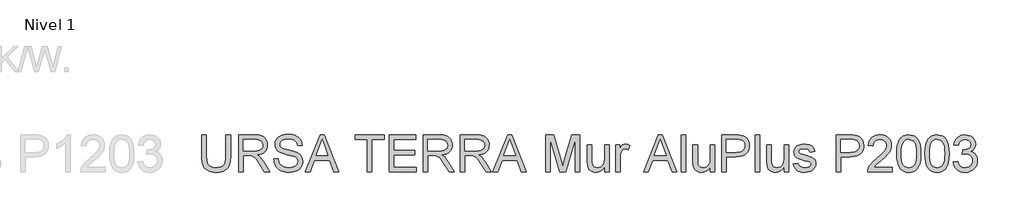
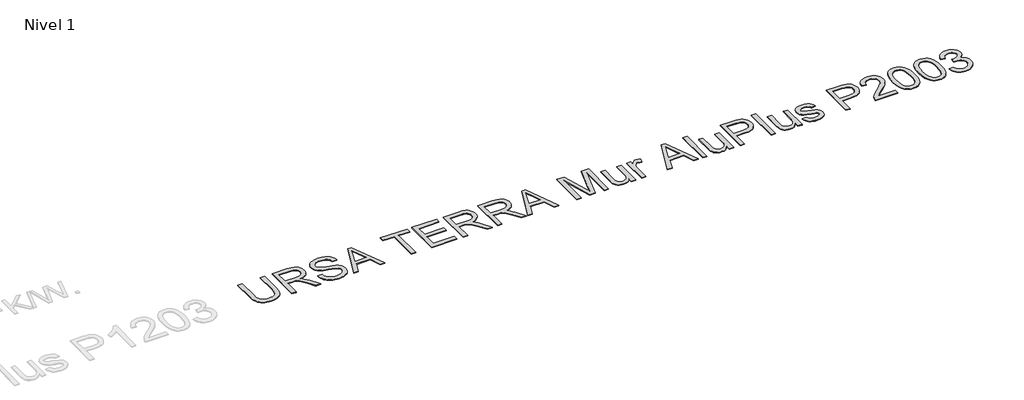
# One storey, part 11 of 15: 1 proxy.
"""IFC4 building model written with IfcOpenShell, lengths in millimetres."""

import ifcopenshell
import ifcopenshell.guid

model = None  # the IFC model being written
_history = None  # IfcOwnerHistory: only IFC2X3 demands one
_inside = {}  # id of a spatial element -> (the spatial element, [elements in it])
_under = {}  # id of a project, library or spatial element -> (it, [spatial elements below it])
_declared = {}  # id of a project -> (the project, [libraries it declares])
_typed = {}  # id of a type object -> (the type object, [elements of that type])
_made_of = {}  # id of a material, layer set ... -> (it, [elements and type objects made of it])


def new_model(schema):
    """Start an empty IFC model of exactly this schema.

    Asked for "IFC4X3", IfcOpenShell would pick the latest addendum, in which some entities
    have other attributes; the version numbers below select the first issue.
    IFC2X3 requires an IfcOwnerHistory on every rooted entity: one is made here for all.
    """
    global model, _history
    if schema == "IFC4X3":
        model = ifcopenshell.file(schema_version=(4, 3, 0, 0))
    else:
        model = ifcopenshell.file(schema=schema)
    _inside.clear()
    _under.clear()
    _declared.clear()
    _typed.clear()
    _made_of.clear()
    _history = None
    if model.schema == "IFC2X3":
        org = make("IfcOrganization", Name="unknown")
        user = make(
            "IfcPersonAndOrganization",
            ThePerson=make("IfcPerson", FamilyName="unknown"),
            TheOrganization=org,
        )
        app = make(
            "IfcApplication",
            ApplicationDeveloper=org,
            Version="unknown",
            ApplicationFullName="unknown",
            ApplicationIdentifier="unknown",
        )
        _history = make(
            "IfcOwnerHistory",
            OwningUser=user,
            OwningApplication=app,
            ChangeAction="ADDED",
            CreationDate=0,
        )
    return model


def make(cls, **values):
    """One entity of the class cls with the attributes given. An attribute that is None is left unset."""
    return model.create_entity(
        cls, **{name: value for name, value in values.items() if value is not None}
    )


def rooted(cls, **values):
    """An entity with a GlobalId (a new one), such as an element, a storey or a relation."""
    return make(cls, GlobalId=ifcopenshell.guid.new(), OwnerHistory=_history, **values)


def si_unit(unit_type, name, prefix=None):
    """IfcSIUnit, for example si_unit("LENGTHUNIT", "METRE", prefix="MILLI")."""
    return make("IfcSIUnit", UnitType=unit_type, Prefix=prefix, Name=name)


def assignment(units):
    """IfcUnitAssignment: the units of a project."""
    return None if units is None else make("IfcUnitAssignment", Units=units)


def point(xyz):
    """IfcCartesianPoint."""
    return None if xyz is None else make("IfcCartesianPoint", Coordinates=xyz)


def direction(xyz):
    """IfcDirection."""
    return None if xyz is None else make("IfcDirection", DirectionRatios=xyz)


def frame(location, z_axis=None, x_axis=None):
    """IfcAxis2Placement3D, a coordinate frame: its origin and axes. An axis left out is left unset."""
    return make(
        "IfcAxis2Placement3D",
        Location=point(location),
        Axis=direction(z_axis),
        RefDirection=direction(x_axis),
    )


def origin():
    """The frame at (0, 0, 0) with its axes left unset."""
    return frame((0.0, 0.0, 0.0))


def origin_with_axes():
    """The frame at (0, 0, 0) with the z axis (0, 0, 1) and the x axis (1, 0, 0) written out."""
    return frame((0.0, 0.0, 0.0), z_axis=(0.0, 0.0, 1.0), x_axis=(1.0, 0.0, 0.0))


def place(relative_to, where):
    """IfcLocalPlacement: puts the frame where relative to a parent placement (None: the world)."""
    return make(
        "IfcLocalPlacement", PlacementRelTo=relative_to, RelativePlacement=where
    )


def context(
    kind, dimensions, precision=None, world=None, true_north=None, identifier=None
):
    """IfcGeometricRepresentationContext, for example the 3D "Model" context."""
    return make(
        "IfcGeometricRepresentationContext",
        ContextIdentifier=identifier,
        ContextType=kind,
        CoordinateSpaceDimension=dimensions,
        Precision=precision,
        WorldCoordinateSystem=world,
        TrueNorth=true_north,
    )


def project(units=None, contexts=None):
    """IfcProject with its units and contexts."""
    return rooted(
        "IfcProject",
        Name="project",
        RepresentationContexts=contexts,
        UnitsInContext=assignment(units),
    )


def spatial(cls, under=None, at=None, **own):
    """A site, building, storey or space (cls), placed at a placement, below another one or the project."""
    s = rooted(cls, ObjectPlacement=at, **own)
    if under is not None:
        _under.setdefault(under.id(), (under, []))[1].append(s)
    return s


def polyline(points):
    """IfcPolyline through the points."""
    return make("IfcPolyline", Points=[point(p) for p in points])


def outline(outer, holes=None, kind="AREA"):
    """IfcArbitraryClosedProfileDef: a profile drawn as a closed curve; with holes, ...WithVoids."""
    if holes is None:
        return make("IfcArbitraryClosedProfileDef", ProfileType=kind, OuterCurve=outer)
    return make(
        "IfcArbitraryProfileDefWithVoids",
        ProfileType=kind,
        OuterCurve=outer,
        InnerCurves=holes,
    )


def extrude(swept, where, along, depth):
    """IfcExtrudedAreaSolid: the profile swept, set in the frame where, extruded along a direction by depth."""
    return make(
        "IfcExtrudedAreaSolid",
        SweptArea=swept,
        Position=where,
        ExtrudedDirection=direction(along),
        Depth=depth,
    )


def shape(context_of_items, identifier, shape_type, items):
    """IfcShapeRepresentation: the items that make up one representation, for example the "Body"."""
    return make(
        "IfcShapeRepresentation",
        ContextOfItems=context_of_items,
        RepresentationIdentifier=identifier,
        RepresentationType=shape_type,
        Items=items,
    )


def made_of(thing, what):
    """Note that an element or type object is made of a material, layer set ...; save() writes the relation."""
    if what is not None:
        _made_of.setdefault(what.id(), (what, []))[1].append(thing)
    return thing


def element(
    cls,
    number,
    at=None,
    inside=None,
    cuts=None,
    type_object=None,
    material=None,
    context=None,
    identifier="Body",
    shape_type=None,
    held_by="IfcProductDefinitionShape",
    body=None,
    shapes=None,
    **own,
):
    """One element of the class cls, such as IfcWall. Its Tag is "e" and its number.

    at: its placement. inside: the storey or other place that contains it. cuts: it is an
    opening in that element (IfcRelVoidsElement). A single representation is given by context,
    identifier, shape_type and body (its items); several are given by shapes. held_by: the class
    of the entity that holds the representations. save() writes the other relations.
    """
    e = rooted(cls, Tag="e%d" % number, ObjectPlacement=at, **own)
    if body is not None:
        shapes = [shape(context, identifier, shape_type, body)]
    if shapes is not None:
        e.Representation = make(held_by, Representations=shapes)
    if inside is not None:
        _inside.setdefault(inside.id(), (inside, []))[1].append(e)
    if cuts is not None:
        rooted(
            "IfcRelVoidsElement", RelatingBuildingElement=cuts, RelatedOpeningElement=e
        )
    if type_object is not None:
        _typed.setdefault(type_object.id(), (type_object, []))[1].append(e)
    return made_of(e, material)


def aggregate(whole, parts):
    """IfcRelAggregates: a whole, such as a stair, and the parts it consists of."""
    return rooted("IfcRelAggregates", RelatingObject=whole, RelatedObjects=parts)


def save(model, path):
    """Write the relations noted so far, then the file.

    IfcRelAggregates (storeys below a building ...), IfcRelContainedInSpatialStructure (elements
    in a storey), IfcRelDefinesByType, IfcRelAssociatesMaterial and IfcRelDeclares: one each for
    every whole, place, type object, material and project.
    """
    for whole, parts in _under.values():
        aggregate(whole, parts)
    for where, things in _inside.values():
        rooted(
            "IfcRelContainedInSpatialStructure",
            RelatedElements=things,
            RelatingStructure=where,
        )
    for kind, things in _typed.values():
        rooted("IfcRelDefinesByType", RelatedObjects=things, RelatingType=kind)
    for what, things in _made_of.values():
        rooted("IfcRelAssociatesMaterial", RelatedObjects=things, RelatingMaterial=what)
    for by, libraries in _declared.values():
        rooted("IfcRelDeclares", RelatingContext=by, RelatedDefinitions=libraries)
    model.write(path)


model = new_model("IFC4")

# Units and contexts
model_context = context("Model", 3, world=origin())
ifc_project = project(units=[si_unit("LENGTHUNIT", "METRE", prefix="MILLI")], contexts=[model_context])

# Site, building, storey
site = spatial("IfcSite", under=ifc_project)
building = spatial("IfcBuilding", under=site)
storey = spatial("IfcBuildingStorey", under=building, Name="Nivel 1", Elevation=0.0)

# Proxy
placement = place(None, origin())
element("IfcBuildingElementProxy", 1, Name="Texto de modelo 3", ObjectType="Texto de modelo 3", at=placement, inside=storey, context=model_context, shape_type="SweptSolid", body=[
    extrude(outline(polyline([(-2575.6263128, -13823.3522814), (-2500.2840802, -13823.3522814), (-2500.2840802, -14171.0743432), (-2505.39764, -14252.5050228), (-2511.7895896, -14286.1984151), (-2520.7383192, -14315.2105089), (-2533.0163807, -14340.6403518), (-2549.3963266, -14363.5869913), (-2569.8781567, -14384.0504273), (-2594.461871, -14402.0306598), (-2623.1750607, -14416.6769617), (-2656.045317, -14427.1386059), (-2693.0726398, -14433.4155925), (-2734.2570292, -14435.5079213), (-2774.4251445, -14433.6869055), (-2810.75809, -14428.2238578), (-2843.2558658, -14419.1187784), (-2871.9184717, -14406.3716673), (-2896.7505064, -14390.1710639), (-2917.7565683, -14370.7055079), (-2934.9366575, -14347.9749991), (-2948.2907739, -14321.9795376), (-2958.3017627, -14291.8270096), (-2965.452469, -14256.6253012), (-2969.7428928, -14216.3744124), (-2971.173034, -14171.0743432), (-2971.173034, -13823.3522814), (-2895.8308014, -13823.3522814), (-2895.8308014, -14168.4255928), (-2892.1151933, -14236.134274), (-2880.9683688, -14283.2783517), (-2872.2035803, -14300.6561775), (-2860.7716473, -14315.9278788), (-2846.6725698, -14329.0934557), (-2829.9063479, -14340.1529082), (-2789.6600576, -14355.1624936), (-2741.3203635, -14360.1656887), (-2699.7956833, -14357.6916823), (-2664.6905439, -14350.269663), (-2636.0049453, -14337.899631), (-2613.7388875, -14320.581586), (-2597.0646361, -14296.227798), (-2585.1544565, -14262.7505364), (-2578.0083487, -14220.1498014), (-2575.6263128, -14168.4255928), (-2575.6263128, -13823.3522814)])), origin_with_axes(), (0.0, 0.0, 1.0), 10.0),
    extrude(outline(polyline([(-2368.4351731, -14426.0901423), (-2368.4351731, -13823.3522814), (-2108.7104846, -13823.3522814), (-2038.904876, -13827.4173774), (-1988.1187665, -13839.6126655), (-1968.5198532, -13849.3063561), (-1950.9994732, -13862.1270436), (-1935.5576265, -13878.0747281), (-1922.194313, -13897.1494096), (-1911.410772, -13918.3256169), (-1903.7082427, -13940.5778791), (-1899.0867252, -13963.9061961), (-1897.5462193, -13988.310568), (-1900.0984007, -14019.2678379), (-1907.7549447, -14047.686722), (-1920.5158514, -14073.5672204), (-1938.3811208, -14096.909333), (-1961.5806791, -14116.9680988), (-1990.3444526, -14132.9985567), (-2024.6724413, -14145.0007068), (-2064.5646451, -14152.974549), (-2039.7326105, -14169.198145), (-2021.7431809, -14185.2010118), (-1990.8778815, -14221.8052703), (-1960.6747697, -14262.7505364), (-1860.1694086, -14426.0901423), (-1947.7253235, -14426.0901423), (-2026.1577648, -14301.1574167), (-2082.8115921, -14218.4575442), (-2103.8728363, -14194.3428794), (-2122.616424, -14179.3884763), (-2158.4481303, -14165.0410785), (-2202.1525113, -14162.3923281), (-2293.0929405, -14162.3923281), (-2293.0929405, -14426.0901423), (-2368.4351731, -14426.0901423)]), holes=[polyline([(-2293.0929405, -14087.0500955), (-2124.4558339, -14087.0500955), (-2076.0241693, -14084.382951), (-2038.4450235, -14076.3815176), (-2010.154898, -14062.5123664), (-1989.5902945, -14042.2420685), (-1977.0639126, -14017.7227335), (-1972.8884519, -13991.1064712), (-1974.8796132, -13971.8386517), (-1980.8530971, -13954.3550598), (-1990.8089036, -13938.6556957), (-2004.7470327, -13924.7405592), (-2022.9893812, -13913.3454144), (-2045.8578457, -13905.2060253), (-2073.3524263, -13900.3223918), (-2105.473123, -13898.694514), (-2293.0929405, -13898.694514), (-2293.0929405, -14087.0500955)])]), origin_with_axes(), (0.0, 0.0, 1.0), 10.0),
    extrude(outline(polyline([(-1793.9506495, -14218.8990026), (-1718.6084169, -14218.8990026), (-1709.96319, -14260.7087913), (-1694.3282052, -14294.3148116), (-1669.9376289, -14320.9862562), (-1635.0256276, -14341.9923182), (-1592.3513161, -14355.6223461), (-1544.6738095, -14360.1656887), (-1502.6984739, -14356.7259921), (-1465.9470626, -14346.4069021), (-1436.1670151, -14330.0729415), (-1415.1057708, -14308.588633), (-1402.5793889, -14283.9221452), (-1398.4039283, -14258.0416469), (-1401.5309252, -14232.8233361), (-1410.9119161, -14211.0263279), (-1429.9682035, -14192.429893), (-1462.1210898, -14176.8133023), (-1571.8235008, -14148.0449303), (-1643.8364013, -14129.007037), (-1689.9136212, -14110.8888488), (-1727.4191907, -14085.5417793), (-1753.9986648, -14054.8236327), (-1769.8359847, -14019.3965966), (-1775.1150913, -13979.9228585), (-1773.482615, -13957.4866553), (-1768.5851859, -13935.7954132), (-1760.4228041, -13914.8491321), (-1748.9954697, -13894.647812), (-1734.4319412, -13876.014589), (-1716.8609774, -13859.7725989), (-1696.2825783, -13845.9218418), (-1672.6967439, -13834.4623176), (-1619.6849484, -13819.0664561), (-1561.0077701, -13813.9345023), (-1497.4377614, -13819.3055794), (-1441.8140037, -13835.4188108), (-1417.4786097, -13847.4209609), (-1396.1230599, -13861.9431027), (-1377.7473542, -13878.9852361), (-1362.3514927, -13898.5473612), (-1350.055037, -13920.0592608), (-1340.9775488, -13942.950718), (-1335.119028, -13967.2217326), (-1332.4794747, -13992.8723047), (-1407.8217073, -13992.8723047), (-1412.8616907, -13968.8312163), (-1421.6540704, -13947.9171249), (-1434.1988464, -13930.1300305), (-1450.4960188, -13915.4699329), (-1470.8490902, -13904.0104088), (-1495.5615632, -13895.8250344), (-1524.6334379, -13890.9138098), (-1558.0647142, -13889.2767349), (-1592.5628483, -13890.8954157), (-1622.0393931, -13895.751458), (-1646.4943488, -13903.8448619), (-1665.9277152, -13915.1756274), (-1680.7349655, -13928.7964582), (-1691.3115728, -13943.7600584), (-1697.6575372, -13960.0664278), (-1699.7728587, -13977.7155665), (-1698.2737396, -13992.8998959), (-1693.7763822, -14006.6678796), (-1686.2807865, -14019.0195175), (-1675.7869526, -14029.9548098), (-1659.269051, -14040.310688), (-1633.259794, -14050.7769308), (-1552.7672134, -14072.0405101), (-1469.6994589, -14092.2372316), (-1419.4467784, -14109.8587792), (-1376.4965555, -14137.1924114), (-1359.8912819, -14153.2596576), (-1346.5325669, -14170.9271904), (-1336.2640608, -14190.1030394), (-1328.9294135, -14210.6952341), (-1323.0616957, -14256.1286605), (-1324.7493543, -14279.6961008), (-1329.8123303, -14302.5737624), (-1338.2506235, -14324.7616452), (-1350.0642341, -14346.2597493), (-1365.0462284, -14366.2357416), (-1382.9896727, -14383.8572892), (-1403.894567, -14399.124392), (-1427.7609115, -14412.03705), (-1453.8943287, -14422.3055562), (-1481.6004415, -14429.6402035), (-1541.7307536, -14435.5079213), (-1580.2709911, -14433.9260288), (-1615.5462759, -14429.180351), (-1647.556608, -14421.2708881), (-1676.3019874, -14410.1976401), (-1701.9571581, -14395.9422127), (-1724.6968639, -14378.4862121), (-1744.5211049, -14357.829638), (-1761.4298811, -14333.9724907), (-1775.050712, -14307.6873221), (-1785.011117, -14279.7466846), (-1791.3110962, -14250.1505781), (-1793.9506495, -14218.8990026)])), origin_with_axes(), (0.0, 0.0, 1.0), 10.0),
    extrude(outline(polyline([(-1280.2402314, -14426.0901423), (-1039.6454066, -13823.3522814), (-975.4867866, -13823.3522814), (-734.8919618, -14426.0901423), (-814.5016255, -14426.0901423), (-883.5162878, -14237.7345607), (-1131.7630582, -14237.7345607), (-1200.6305677, -14426.0901423), (-1280.2402314, -14426.0901423)]), holes=[polyline([(-1104.0983321, -14162.3923281), (-911.0338611, -14162.3923281), (-965.3332435, -14014.2094605), (-1007.5660966, -13898.694514), (-1045.0900601, -14001.2600142), (-1104.0983321, -14162.3923281)])]), origin_with_axes(), (0.0, 0.0, 1.0), 10.0),
    extrude(outline(polyline([(-268.2704391, -14426.0901423), (-268.2704391, -13898.694514), (-466.0437997, -13898.694514), (-466.0437997, -13823.3522814), (4.8451541, -13823.3522814), (4.8451541, -13898.694514), (-192.9282065, -13898.694514), (-192.9282065, -14426.0901423), (-268.2704391, -14426.0901423)])), origin_with_axes(), (0.0, 0.0, 1.0), 10.0),
    extrude(outline(polyline([(89.6051658, -14426.0901423), (89.6051658, -13823.3522814), (522.8230033, -13823.3522814), (522.8230033, -13898.694514), (164.9473984, -13898.694514), (164.9473984, -14077.6323164), (503.9874452, -14077.6323164), (503.9874452, -14152.974549), (164.9473984, -14152.974549), (164.9473984, -14350.7479096), (532.2407824, -14350.7479096), (532.2407824, -14426.0901423), (89.6051658, -14426.0901423)])), origin_with_axes(), (0.0, 0.0, 1.0), 10.0),
    extrude(outline(polyline([(645.2541313, -14426.0901423), (645.2541313, -13823.3522814), (904.9788199, -13823.3522814), (974.7844285, -13827.4173774), (1025.570538, -13839.6126655), (1045.1694512, -13849.3063561), (1062.6898313, -13862.1270436), (1078.131678, -13878.0747281), (1091.4949915, -13897.1494096), (1102.2785325, -13918.3256169), (1109.9810617, -13940.5778791), (1114.6025793, -13963.9061961), (1116.1430852, -13988.310568), (1113.5909038, -14019.2678379), (1105.9343598, -14047.686722), (1093.1734531, -14073.5672204), (1075.3081837, -14096.909333), (1052.1086254, -14116.9680988), (1023.3448519, -14132.9985567), (989.0168632, -14145.0007068), (949.1246594, -14152.974549), (973.956694, -14169.198145), (991.9461236, -14185.2010118), (1022.811423, -14221.8052703), (1053.0145348, -14262.7505364), (1153.5198959, -14426.0901423), (1065.963981, -14426.0901423), (987.5315397, -14301.1574167), (930.8777124, -14218.4575442), (909.8164682, -14194.3428794), (891.0728805, -14179.3884763), (855.2411742, -14165.0410785), (811.5367932, -14162.3923281), (720.596364, -14162.3923281), (720.596364, -14426.0901423), (645.2541313, -14426.0901423)]), holes=[polyline([(720.596364, -14087.0500955), (889.2334705, -14087.0500955), (937.6651352, -14084.382951), (975.244281, -14076.3815176), (1003.5344064, -14062.5123664), (1024.09901, -14042.2420685), (1036.6253919, -14017.7227335), (1040.8008526, -13991.1064712), (1038.8096913, -13971.8386517), (1032.8362074, -13954.3550598), (1022.8804009, -13938.6556957), (1008.9422718, -13924.7405592), (990.6999233, -13913.3454144), (967.8314588, -13905.2060253), (940.3368782, -13900.3223918), (908.2161815, -13898.694514), (720.596364, -13898.694514), (720.596364, -14087.0500955)])]), origin_with_axes(), (0.0, 0.0, 1.0), 10.0),
    extrude(outline(polyline([(1247.9919922, -14426.0901423), (1247.9919922, -13823.3522814), (1507.7166808, -13823.3522814), (1577.5222894, -13827.4173774), (1628.3083989, -13839.6126655), (1647.9073121, -13849.3063561), (1665.4276922, -13862.1270436), (1680.8695389, -13878.0747281), (1694.2328524, -13897.1494096), (1705.0163934, -13918.3256169), (1712.7189226, -13940.5778791), (1717.3404402, -13963.9061961), (1718.8809461, -13988.310568), (1716.3287647, -14019.2678379), (1708.6722207, -14047.686722), (1695.911314, -14073.5672204), (1678.0460446, -14096.909333), (1654.8464863, -14116.9680988), (1626.0827128, -14132.9985567), (1591.7547241, -14145.0007068), (1551.8625203, -14152.974549), (1576.6945549, -14169.198145), (1594.6839845, -14185.2010118), (1625.5492839, -14221.8052703), (1655.7523957, -14262.7505364), (1756.2577568, -14426.0901423), (1668.7018419, -14426.0901423), (1590.2694006, -14301.1574167), (1533.6155733, -14218.4575442), (1512.5543291, -14194.3428794), (1493.8107414, -14179.3884763), (1457.9790351, -14165.0410785), (1414.2746541, -14162.3923281), (1323.3342249, -14162.3923281), (1323.3342249, -14426.0901423), (1247.9919922, -14426.0901423)]), holes=[polyline([(1323.3342249, -14087.0500955), (1491.9713314, -14087.0500955), (1540.4029961, -14084.382951), (1577.9821419, -14076.3815176), (1606.2722673, -14062.5123664), (1626.8368709, -14042.2420685), (1639.3632528, -14017.7227335), (1643.5387135, -13991.1064712), (1641.5475522, -13971.8386517), (1635.5740683, -13954.3550598), (1625.6182618, -13938.6556957), (1611.6801327, -13924.7405592), (1593.4377842, -13913.3454144), (1570.5693197, -13905.2060253), (1543.0747391, -13900.3223918), (1510.9540424, -13898.694514), (1323.3342249, -13898.694514), (1323.3342249, -14087.0500955)])]), origin_with_axes(), (0.0, 0.0, 1.0), 10.0),
    extrude(outline(polyline([(1780.5379685, -14426.0901423), (2021.1327933, -13823.3522814), (2085.2914133, -13823.3522814), (2325.8862381, -14426.0901423), (2246.2765744, -14426.0901423), (2177.2619121, -14237.7345607), (1929.0151417, -14237.7345607), (1860.1476322, -14426.0901423), (1780.5379685, -14426.0901423)]), holes=[polyline([(1956.6798677, -14162.3923281), (2149.7443388, -14162.3923281), (2095.4449563, -14014.2094605), (2053.2121033, -13898.694514), (2015.6881398, -14001.2600142), (1956.6798677, -14162.3923281)])]), origin_with_axes(), (0.0, 0.0, 1.0), 10.0),
    extrude(outline(polyline([(2641.8232956, -14426.0901423), (2641.8232956, -13823.3522814), (2771.4649107, -13823.3522814), (2894.7789554, -14248.1824094), (2919.6477783, -14336.9155466), (2946.5767404, -14240.8247695), (3067.830646, -13823.3522814), (3197.4722611, -13823.3522814), (3197.4722611, -14426.0901423), (3122.1300285, -14426.0901423), (3122.1300285, -13898.694514), (2970.7097993, -14426.0901423), (2868.5857574, -14426.0901423), (2717.1655282, -13898.694514), (2717.1655282, -14426.0901423), (2641.8232956, -14426.0901423)])), origin_with_axes(), (0.0, 0.0, 1.0), 10.0),
    extrude(outline(polyline([(3602.4367614, -14426.0901423), (3602.4367614, -14350.0121457), (3575.1767055, -14387.4165475), (3543.4284893, -14414.1339774), (3507.1921128, -14430.1644354), (3466.467576, -14435.5079213), (3429.7713469, -14431.755525), (3395.6135037, -14420.4983359), (3366.9554963, -14403.5757641), (3346.7587747, -14382.8272196), (3333.165535, -14357.627303), (3324.317973, -14327.3506147), (3319.9033891, -14257.3058829), (3319.9033891, -13983.4545257), (3395.2456217, -13983.4545257), (3395.2456217, -14221.8420585), (3396.3860559, -14269.5195651), (3399.8073584, -14298.6558191), (3410.788636, -14324.2788001), (3429.6058, -14343.7581517), (3455.0080518, -14356.0638045), (3485.7445925, -14360.1656887), (3518.2469668, -14355.971834), (3548.6524137, -14343.3902697), (3573.7235716, -14323.5798243), (3590.2230791, -14297.6993259), (3599.3833408, -14262.2538957), (3602.4367614, -14213.7486546), (3602.4367614, -13983.4545257), (3677.778994, -13983.4545257), (3677.778994, -14426.0901423), (3602.4367614, -14426.0901423)])), origin_with_axes(), (0.0, 0.0, 1.0), 10.0),
    extrude(outline(polyline([(3781.3745638, -14426.0901423), (3781.3745638, -13983.4545257), (3847.2990174, -13983.4545257), (3847.2990174, -14048.9375208), (3871.6528054, -14010.9720989), (3894.0936071, -13988.6048736), (3916.6079853, -13977.6787783), (3941.1825025, -13974.0367466), (3978.706466, -13979.8492821), (4016.8190407, -13997.2868887), (3991.6559123, -14064.830023), (3965.1684086, -14053.2417401), (3938.680905, -14049.3789792), (3916.184921, -14053.0945873), (3896.0801699, -14064.2414118), (3879.8381798, -14081.973324), (3868.9304787, -14105.4441953), (3859.770217, -14147.5298955), (3856.7167964, -14193.4415685), (3856.7167964, -14426.0901423), (3781.3745638, -14426.0901423)])), origin_with_axes(), (0.0, 0.0, 1.0), 10.0),
    extrude(outline(polyline([(4238.5783074, -14426.0901423), (4479.1731323, -13823.3522814), (4543.3317522, -13823.3522814), (4783.9265771, -14426.0901423), (4704.3169133, -14426.0901423), (4635.302251, -14237.7345607), (4387.0554807, -14237.7345607), (4318.1879712, -14426.0901423), (4238.5783074, -14426.0901423)]), holes=[polyline([(4414.7202067, -14162.3923281), (4607.7846778, -14162.3923281), (4553.4852953, -14014.2094605), (4511.2524423, -13898.694514), (4473.7284787, -14001.2600142), (4414.7202067, -14162.3923281)])]), origin_with_axes(), (0.0, 0.0, 1.0), 10.0),
    extrude(outline(polyline([(4855.0013785, -14426.0901423), (4855.0013785, -13823.3522814), (4930.3436112, -13823.3522814), (4930.3436112, -14426.0901423), (4855.0013785, -14426.0901423)])), origin_with_axes(), (0.0, 0.0, 1.0), 10.0),
    extrude(outline(polyline([(5325.8903324, -14426.0901423), (5325.8903324, -14350.0121457), (5298.6302765, -14387.4165475), (5266.8820603, -14414.1339774), (5230.6456838, -14430.1644354), (5189.921147, -14435.5079213), (5153.2249179, -14431.755525), (5119.0670747, -14420.4983359), (5090.4090673, -14403.5757641), (5070.2123457, -14382.8272196), (5056.619106, -14357.627303), (5047.771544, -14327.3506147), (5043.3569601, -14257.3058829), (5043.3569601, -13983.4545257), (5118.6991927, -13983.4545257), (5118.6991927, -14221.8420585), (5119.8396269, -14269.5195651), (5123.2609294, -14298.6558191), (5134.242207, -14324.2788001), (5153.059371, -14343.7581517), (5178.4616228, -14356.0638045), (5209.1981635, -14360.1656887), (5241.7005378, -14355.971834), (5272.1059847, -14343.3902697), (5297.1771427, -14323.5798243), (5313.6766501, -14297.6993259), (5322.8369118, -14262.2538957), (5325.8903324, -14213.7486546), (5325.8903324, -13983.4545257), (5401.232565, -13983.4545257), (5401.232565, -14426.0901423), (5325.8903324, -14426.0901423)])), origin_with_axes(), (0.0, 0.0, 1.0), 10.0),
    extrude(outline(polyline([(5514.2459139, -14426.0901423), (5514.2459139, -13823.3522814), (5737.6238614, -13823.3522814), (5789.6423755, -13824.7870211), (5827.6813738, -13829.0912405), (5867.8356936, -13839.8150006), (5900.8898908, -13857.2710013), (5927.5061532, -13882.2501888), (5948.3466682, -13915.5435093), (5961.8111492, -13954.8149123), (5966.2993096, -13997.7283471), (5963.2688816, -14034.7280787), (5954.1775978, -14068.7663603), (5939.0254582, -14099.8431919), (5917.8124626, -14127.9585734), (5888.6900042, -14151.2638978), (5849.8094758, -14167.910558), (5801.1708775, -14177.8985542), (5742.7742093, -14181.2278863), (5589.5881465, -14181.2278863), (5589.5881465, -14426.0901423), (5514.2459139, -14426.0901423)]), holes=[polyline([(5589.5881465, -14105.8856537), (5747.1887933, -14105.8856537), (5783.4251698, -14104.1566083), (5813.9961636, -14098.9694721), (5838.9017746, -14090.3242453), (5858.142003, -14078.2209276), (5872.4985979, -14062.981416), (5882.7533085, -14044.9276071), (5888.9061348, -14024.0595009), (5890.957077, -14000.3770974), (5886.1194287, -13966.5319539), (5871.606484, -13937.9843111), (5849.2208646, -13916.5000025), (5820.7651923, -13903.8448619), (5791.7025147, -13899.982101), (5745.4229597, -13898.694514), (5589.5881465, -13898.694514), (5589.5881465, -14105.8856537)])]), origin_with_axes(), (0.0, 0.0, 1.0), 10.0),
    extrude(outline(polyline([(6060.4771003, -14426.0901423), (6060.4771003, -13823.3522814), (6135.819333, -13823.3522814), (6135.819333, -14426.0901423), (6060.4771003, -14426.0901423)])), origin_with_axes(), (0.0, 0.0, 1.0), 10.0),
    extrude(outline(polyline([(6531.3660542, -14426.0901423), (6531.3660542, -14350.0121457), (6504.1059983, -14387.4165475), (6472.3577821, -14414.1339774), (6436.1214056, -14430.1644354), (6395.3968688, -14435.5079213), (6358.7006397, -14431.755525), (6324.5427965, -14420.4983359), (6295.8847891, -14403.5757641), (6275.6880675, -14382.8272196), (6262.0948278, -14357.627303), (6253.2472658, -14327.3506147), (6248.8326819, -14257.3058829), (6248.8326819, -13983.4545257), (6324.1749145, -13983.4545257), (6324.1749145, -14221.8420585), (6325.3153487, -14269.5195651), (6328.7366512, -14298.6558191), (6339.7179288, -14324.2788001), (6358.5350928, -14343.7581517), (6383.9373446, -14356.0638045), (6414.6738853, -14360.1656887), (6447.1762596, -14355.971834), (6477.5817065, -14343.3902697), (6502.6528644, -14323.5798243), (6519.1523719, -14297.6993259), (6528.3126336, -14262.2538957), (6531.3660542, -14213.7486546), (6531.3660542, -13983.4545257), (6606.7082868, -13983.4545257), (6606.7082868, -14426.0901423), (6531.3660542, -14426.0901423)])), origin_with_axes(), (0.0, 0.0, 1.0), 10.0),
    extrude(outline(polyline([(6682.0505194, -14294.2412352), (6757.392752, -14284.8234561), (6761.9452917, -14302.0035453), (6769.2753405, -14317.0499189), (6779.3828983, -14329.9625769), (6792.2679651, -14340.7415194), (6807.9673293, -14349.2395935), (6826.5177789, -14355.3096464), (6872.1719345, -14360.1656887), (6917.2742671, -14355.7143166), (6934.8038442, -14350.1501014), (6948.9856951, -14342.3602002), (6967.7476768, -14323.0096072), (6972.4381723, -14312.1754824), (6974.0016708, -14300.5688055), (6972.4289752, -14290.3968683), (6967.7108886, -14281.3653654), (6948.8385423, -14266.7236619), (6920.6219933, -14257.1587301), (6871.2890177, -14245.2393534), (6802.5318728, -14225.3553316), (6757.8342104, -14208.3775775), (6729.1210207, -14189.8547191), (6708.3172938, -14165.3353841), (6695.6805473, -14136.3830711), (6691.4682985, -14104.5612785), (6694.8528128, -14075.3698422), (6705.0063559, -14048.422486), (6721.0092227, -14024.7860678), (6741.9417082, -14005.5274454), (6762.745435, -13993.4057336), (6789.839944, -13983.2337965), (6821.1650959, -13976.3360091), (6854.6607515, -13974.0367466), (6903.6994215, -13977.7339606), (6946.3369447, -13988.8256028), (6980.6235467, -14006.2264212), (7004.6094528, -14028.8511639), (7020.501955, -14058.373694), (7030.5083452, -14096.4678746), (6955.1661126, -14105.8856537), (6945.656363, -14082.1756591), (6926.839199, -14064.3149882), (6898.5306795, -14053.1129814), (6860.5468635, -14049.3789792), (6817.2839408, -14052.9474345), (6788.4419924, -14063.6528006), (6772.2183964, -14079.1038444), (6766.8105311, -14096.909333), (6769.0546113, -14108.4976158), (6775.7868518, -14118.8350999), (6787.3015582, -14128.068938), (6803.8930362, -14135.4633661), (6868.7874201, -14151.5030211), (6979.3727479, -14186.9668454), (7008.5825783, -14203.9262054), (7030.7290744, -14227.1395593), (7044.6901961, -14256.6804835), (7049.3439034, -14292.6225544), (7043.8808558, -14329.7786359), (7027.4917129, -14364.7274255), (7000.8018741, -14394.7282022), (6964.4367389, -14417.0402452), (6920.5116287, -14430.8910023), (6871.1418649, -14435.5079213), (6830.592072, -14433.2822353), (6795.1742329, -14426.605177), (6764.8883477, -14415.4767467), (6739.7344162, -14399.8969442), (6719.1882068, -14379.939346), (6702.7254875, -14355.6775284), (6690.3462584, -14327.1114915), (6682.0505194, -14294.2412352)])), origin_with_axes(), (0.0, 0.0, 1.0), 10.0),
    extrude(outline(polyline([(7378.9661711, -14426.0901423), (7378.9661711, -13823.3522814), (7602.3441185, -13823.3522814), (7654.3626326, -13824.7870211), (7692.4016309, -13829.0912405), (7732.5559507, -13839.8150006), (7765.610148, -13857.2710013), (7792.2264103, -13882.2501888), (7813.0669254, -13915.5435093), (7826.5314064, -13954.8149123), (7831.0195667, -13997.7283471), (7827.9891388, -14034.7280787), (7818.897855, -14068.7663603), (7803.7457153, -14099.8431919), (7782.5327198, -14127.9585734), (7753.4102613, -14151.2638978), (7714.529733, -14167.910558), (7665.8911347, -14177.8985542), (7607.4944665, -14181.2278863), (7454.3084037, -14181.2278863), (7454.3084037, -14426.0901423), (7378.9661711, -14426.0901423)]), holes=[polyline([(7454.3084037, -14105.8856537), (7611.9090504, -14105.8856537), (7648.1454269, -14104.1566083), (7678.7164207, -14098.9694721), (7703.6220318, -14090.3242453), (7722.8622601, -14078.2209276), (7737.218855, -14062.981416), (7747.4735656, -14044.9276071), (7753.626392, -14024.0595009), (7755.6773341, -14000.3770974), (7750.8396859, -13966.5319539), (7736.3267412, -13937.9843111), (7713.9411218, -13916.5000025), (7685.4854494, -13903.8448619), (7656.4227718, -13899.982101), (7610.1432168, -13898.694514), (7454.3084037, -13898.694514), (7454.3084037, -14105.8856537)])]), origin_with_axes(), (0.0, 0.0, 1.0), 10.0),
    extrude(outline(polyline([(8292.4907415, -14350.7479096), (8292.4907415, -14426.0901423), (7896.9440203, -14426.0901423), (7898.5994892, -14399.5658504), (7905.0374242, -14374.1452045), (7923.6154649, -14333.5494264), (7950.8019444, -14294.1676588), (7990.1285296, -14252.9464812), (8045.1268879, -14206.8324731), (8126.4288089, -14134.6172375), (8175.2099614, -14081.3111364), (8189.4377976, -14059.5325223), (8199.6005377, -14038.0482137), (8205.6981818, -14016.8582108), (8207.7307298, -13995.9625135), (8205.8131449, -13976.3038194), (8200.0603902, -13958.2362149), (8190.4724657, -13941.7597), (8177.0493714, -13926.8742748), (8160.5360683, -13914.5456294), (8141.6775176, -13905.7394542), (8120.4737191, -13900.455749), (8096.9246728, -13898.694514), (8072.1156308, -13900.4143623), (8049.927748, -13905.5739073), (8030.3610243, -13914.1731489), (8013.4154599, -13926.2120872), (7999.7072571, -13941.286052), (7989.8526181, -13958.990373), (7983.8515431, -13979.3250503), (7981.704032, -14002.2900838), (7906.3617993, -13992.8723047), (7912.841121, -13953.9779808), (7924.6271404, -13919.9948815), (7941.7198576, -13890.9230068), (7964.1192726, -13866.7623568), (7991.3103506, -13847.7704488), (8022.7780567, -13834.2048002), (8058.5223911, -13826.0654111), (8098.5433536, -13823.3522814), (8138.9230011, -13826.3689137), (8174.8604735, -13835.4188108), (8206.3557708, -13850.5019726), (8233.4088931, -13871.6183991), (8255.1369234, -13897.2045919), (8270.6569451, -13925.6970524), (8279.9689581, -13957.0957807), (8283.0729624, -13991.4007768), (8279.7252362, -14027.4348182), (8269.6820578, -14062.8434602), (8251.8581751, -14098.8591075), (8225.1683364, -14136.7141648), (8182.6227836, -14181.908468), (8117.231759, -14239.9418527), (8030.5587609, -14312.4146057), (7996.5664646, -14350.7479096), (8292.4907415, -14350.7479096)])), origin_with_axes(), (0.0, 0.0, 1.0), 10.0),
    extrude(outline(polyline([(8367.8329741, -14129.5772541), (8373.3695981, -14033.1002009), (8380.2903782, -13992.1871245), (8389.9794702, -13956.1576816), (8402.3954875, -13924.7175666), (8417.4970434, -13897.5724739), (8435.2841379, -13874.7224035), (8455.7567709, -13856.1673553), (8478.9839204, -13841.8107605), (8505.0345642, -13831.5560498), (8533.9087023, -13825.4032235), (8565.6063347, -13823.3522814), (8612.0330425, -13828.2083237), (8653.6037079, -13842.7764507), (8688.3685565, -13866.4864453), (8714.3778135, -13898.7680904), (8734.0227121, -13939.3454744), (8749.6944851, -13987.942686), (8759.9583928, -14049.6548907), (8763.3796953, -14129.5772541), (8757.8982536, -14225.5024844), (8751.0464514, -14266.277605), (8741.4539284, -14302.2610627), (8729.1344801, -14333.7149733), (8714.1019021, -14360.9014527), (8696.3561943, -14383.820501), (8675.8973569, -14402.4721182), (8652.6426162, -14416.925282), (8626.509199, -14427.2489705), (8597.4971052, -14433.4431836), (8565.6063347, -14435.5079213), (8524.1092456, -14431.9210719), (8487.3210461, -14421.1605235), (8455.2417361, -14403.2262763), (8427.8713157, -14378.1183301), (8401.6045412, -14332.7308889), (8382.8425595, -14276.1782292), (8371.5853704, -14208.460351), (8367.8329741, -14129.5772541)]), holes=[polyline([(8443.1752067, -14129.4301013), (8445.3824987, -14194.9268921), (8452.0043746, -14247.9432861), (8463.0408344, -14288.4792834), (8478.4918782, -14316.5348841), (8497.1802836, -14335.6233611), (8517.9288281, -14349.2579876), (8540.7375118, -14357.4387634), (8565.6063347, -14360.1656887), (8590.4751576, -14357.4295664), (8613.2838413, -14349.2211994), (8634.0323858, -14335.5405877), (8652.7207912, -14316.3877313), (8668.171835, -14288.2861454), (8679.2082948, -14247.7593451), (8685.8301707, -14194.8073304), (8688.0374627, -14129.4301013), (8685.9037471, -14065.6669545), (8679.5026004, -14013.5840611), (8668.8340225, -13973.1814209), (8653.8980135, -13944.4590342), (8635.5223079, -13924.4370566), (8614.5346401, -13910.135644), (8590.9350101, -13901.5547965), (8564.7234179, -13898.694514), (8539.9833537, -13901.2145056), (8517.5609461, -13908.7744806), (8497.4561951, -13921.374439), (8479.6691006, -13939.0143806), (8463.703022, -13970.2843502), (8452.2986802, -14012.4436269), (8445.4560751, -14065.4922106), (8443.1752067, -14129.4301013)])]), origin_with_axes(), (0.0, 0.0, 1.0), 10.0),
    extrude(outline(polyline([(8829.3041488, -14129.5772541), (8834.8407729, -14033.1002009), (8841.7615529, -13992.1871245), (8851.450645, -13956.1576816), (8863.8666623, -13924.7175666), (8878.9682182, -13897.5724739), (8896.7553127, -13874.7224035), (8917.2279457, -13856.1673553), (8940.4550952, -13841.8107605), (8966.5057389, -13831.5560498), (8995.379877, -13825.4032235), (9027.0775094, -13823.3522814), (9073.5042172, -13828.2083237), (9115.0748827, -13842.7764507), (9149.8397312, -13866.4864453), (9175.8489883, -13898.7680904), (9195.4938868, -13939.3454744), (9211.1656598, -13987.942686), (9221.4295675, -14049.6548907), (9224.8508701, -14129.5772541), (9219.3694283, -14225.5024844), (9212.5176262, -14266.277605), (9202.9251031, -14302.2610627), (9190.6056548, -14333.7149733), (9175.5730768, -14360.9014527), (9157.8273691, -14383.820501), (9137.3685316, -14402.4721182), (9114.113791, -14416.925282), (9087.9803738, -14427.2489705), (9058.9682799, -14433.4431836), (9027.0775094, -14435.5079213), (8985.5804204, -14431.9210719), (8948.7922209, -14421.1605235), (8916.7129109, -14403.2262763), (8889.3424905, -14378.1183301), (8863.075716, -14332.7308889), (8844.3137342, -14276.1782292), (8833.0565452, -14208.460351), (8829.3041488, -14129.5772541)]), holes=[polyline([(8904.6463815, -14129.4301013), (8906.8536734, -14194.9268921), (8913.4755493, -14247.9432861), (8924.5120092, -14288.4792834), (8939.963053, -14316.5348841), (8958.6514583, -14335.6233611), (8979.4000029, -14349.2579876), (9002.2086866, -14357.4387634), (9027.0775094, -14360.1656887), (9051.9463323, -14357.4295664), (9074.755016, -14349.2211994), (9095.5035606, -14335.5405877), (9114.1919659, -14316.3877313), (9129.6430097, -14288.2861454), (9140.6794696, -14247.7593451), (9147.3013455, -14194.8073304), (9149.5086374, -14129.4301013), (9147.3749219, -14065.6669545), (9140.9737752, -14013.5840611), (9130.3051973, -13973.1814209), (9115.3691883, -13944.4590342), (9096.9934826, -13924.4370566), (9076.0058148, -13910.135644), (9052.4061848, -13901.5547965), (9026.1945927, -13898.694514), (9001.4545285, -13901.2145056), (8979.0321209, -13908.7744806), (8958.9273698, -13921.374439), (8941.1402754, -13939.0143806), (8925.1741968, -13970.2843502), (8913.7698549, -14012.4436269), (8906.9272498, -14065.4922106), (8904.6463815, -14129.4301013)])]), origin_with_axes(), (0.0, 0.0, 1.0), 10.0),
    extrude(outline(polyline([(9290.7753236, -14265.987898), (9366.1175562, -14256.5701189), (9382.9849457, -14303.9165317), (9394.3570979, -14321.8231878), (9407.6882217, -14335.885477), (9423.2818197, -14346.5080696), (9441.4413947, -14354.0956358), (9462.1669466, -14358.6481755), (9485.4584754, -14360.1656887), (9512.7553195, -14358.0779584), (9537.1091076, -14351.8147674), (9558.5198397, -14341.3761158), (9576.9875158, -14326.7620036), (9591.8591455, -14309.0668796), (9602.4817381, -14289.3851928), (9608.8552937, -14267.7169433), (9610.9798122, -14244.062131), (9608.8736878, -14221.5339574), (9602.5553145, -14201.0383317), (9592.0246924, -14182.5752541), (9577.2818214, -14166.1447245), (9559.2923919, -14152.6572508), (9539.0220939, -14143.0233411), (9516.4709276, -14137.2429952), (9491.638893, -14135.3162133), (9467.8369279, -14137.3763524), (9438.8110385, -14143.55677), (9447.1987479, -14068.2145373), (9459.2652774, -14069.0974541), (9504.4043982, -14063.6895888), (9544.7610531, -14047.4659928), (9561.3709251, -14035.1971283), (9573.2351195, -14020.021996), (9580.3536361, -14001.9405959), (9582.726475, -13980.9529281), (9581.0066266, -13963.9153932), (9575.8470817, -13948.4137656), (9567.24784, -13934.4480454), (9555.2089017, -13922.0182325), (9540.4568337, -13911.8141056), (9523.7182029, -13904.5254436), (9484.2812531, -13898.694514), (9463.624679, -13900.1660419), (9444.7707268, -13904.5806259), (9427.7193963, -13911.9382658), (9412.4706876, -13922.2389617), (9399.4016797, -13935.4827135), (9388.8894517, -13951.6695213), (9380.9340036, -13970.799385), (9375.5353353, -13992.8723047), (9300.1931027, -13983.4545257), (9309.1234381, -13947.4848636), (9322.376387, -13915.8010267), (9339.9519493, -13888.4030152), (9361.8501251, -13865.2908288), (9387.3811355, -13846.9427143), (9415.855202, -13833.8369182), (9447.2723243, -13825.9734406), (9481.6325027, -13823.3522814), (9528.9973096, -13828.5210234), (9572.4993555, -13844.0272495), (9609.1771904, -13868.4914022), (9636.0693643, -13900.5339239), (9652.5688717, -13937.4508822), (9658.0687076, -13976.5383441), (9652.8447832, -14012.9586617), (9637.1730103, -14045.9944648), (9611.2741178, -14074.1374375), (9575.3688351, -14095.8792634), (9600.4767812, -14103.733544), (9622.5313068, -14114.9355507), (9641.5324119, -14129.4852836), (9657.4800964, -14147.3827427), (9670.0984488, -14168.1864695), (9679.1115577, -14191.4550057), (9684.519423, -14217.1883513), (9686.3220448, -14245.3865062), (9682.7168013, -14283.6094455), (9671.9010706, -14318.8157525), (9653.8748528, -14351.005427), (9628.638148, -14380.1784693), (9597.8924102, -14404.3851045), (9563.3390938, -14421.6755583), (9524.9781988, -14432.0498306), (9482.8097251, -14435.5079213), (9444.6971504, -14432.5556683), (9409.96909, -14423.6989093), (9378.625544, -14408.9376442), (9350.6665124, -14388.2718731), (9327.2232323, -14362.9156066), (9309.4269407, -14334.0828553), (9297.2776379, -14301.773619), (9290.7753236, -14265.987898)])), origin_with_axes(), (0.0, 0.0, 1.0), 10.0),
])

save(model, "model.ifc")
